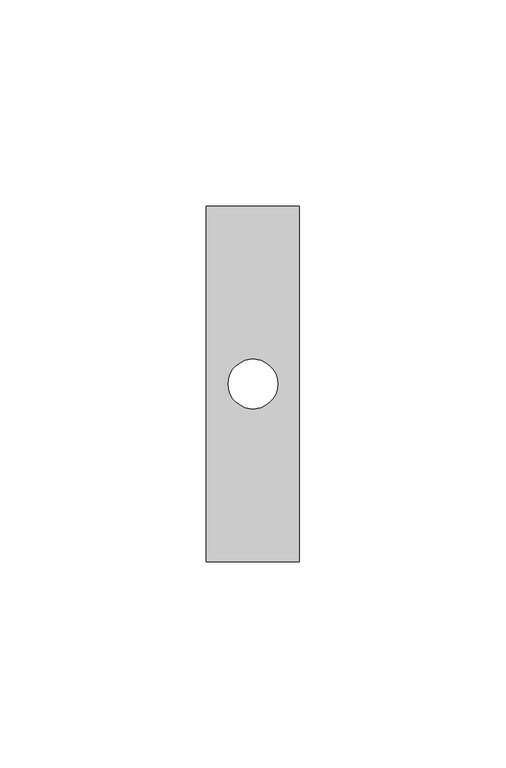
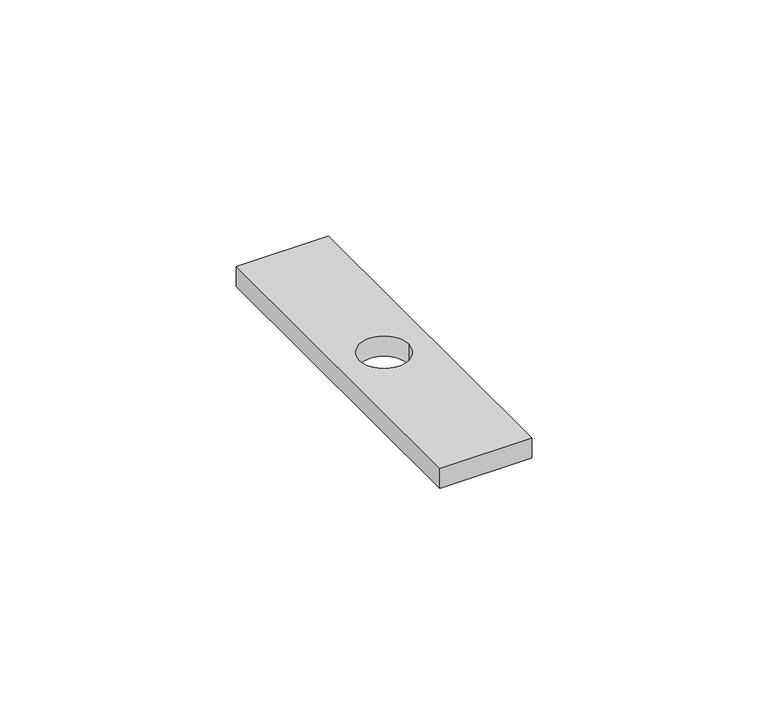
"""IFC4 building model written with IfcOpenShell, lengths in millimetres: proxy geometry."""

from ifc_helpers import new_model, si_unit, point, frame, frame_2d, origin, place, context, project, spatial, polyline, circle_curve, trimmed, segment, composite_curve, outline, extrude, source, transform, mapped, element, save


def electrical_fixtures_dc3ba4d7(model_context):
    return source(origin(), model_context, "Body", "SweptSolid", [
        extrude(outline(polyline([(0.0, 0.0), (0.0, 86.0), (22.5, 86.0), (22.5, 0.0), (0.0, 0.0)]), holes=[composite_curve([segment(trimmed(circle_curve(frame_2d((11.25, 43.0)), 6.0), [point((5.25, 43.0))], [point((17.25, 43.0))], True, "CARTESIAN"), True, "CONTINUOUS"), segment(trimmed(circle_curve(frame_2d((11.25, 43.0)), 6.0), [point((17.25, 43.0))], [point((5.25, 43.0))], True, "CARTESIAN"), True, "CONTINUOUS")], self_intersect=False)]), frame((0.0, 0.0, 5.5), z_axis=(0.0, 0.0, 1.0), x_axis=(1.0, 0.0, 0.0)), (0.0, 0.0, 1.0), 5.2),
    ])


if __name__ == "__main__":
    model = new_model("IFC4")
    model_context = context("Model", 3, world=origin())
    ifc_project = project(units=[si_unit("LENGTHUNIT", "METRE", prefix="MILLI")], contexts=[model_context])
    site = spatial("IfcSite", under=ifc_project)
    building = spatial("IfcBuilding", under=site)
    placement = place(None, origin())
    electrical_fixtures_shape = electrical_fixtures_dc3ba4d7(model_context)
    element("IfcBuildingElementProxy", 1, Name="Electrical Fixtures", at=placement, inside=building, context=model_context, shape_type="MappedRepresentation", body=[
        mapped(electrical_fixtures_shape, transform((0.0, 0.0, 0.0), x_axis=(1.0, 0.0, 0.0), y_axis=(0.0, 1.0, 0.0), z_axis=(0.0, 0.0, 1.0))),
    ])
    save(model, "model.ifc")
